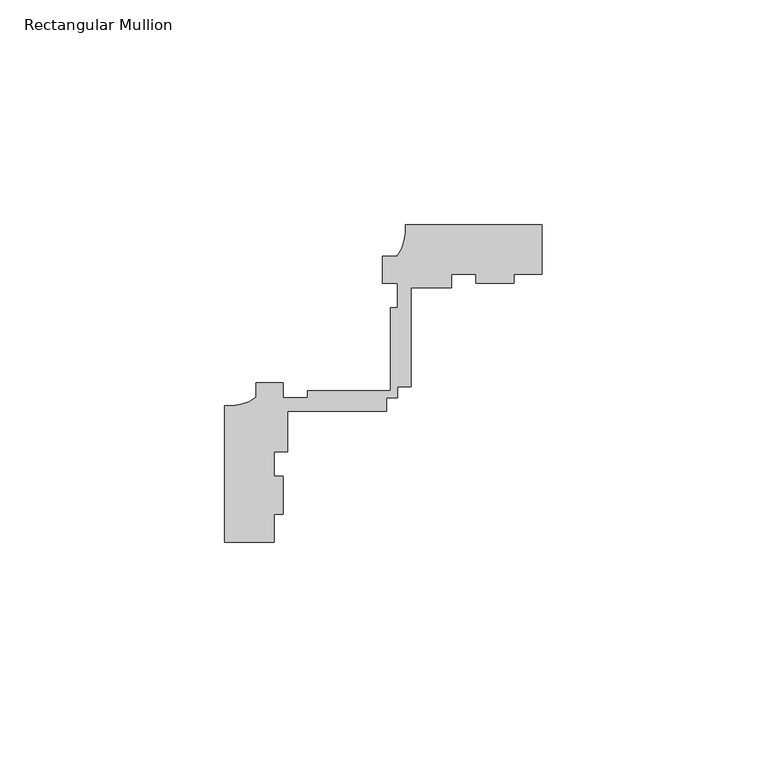
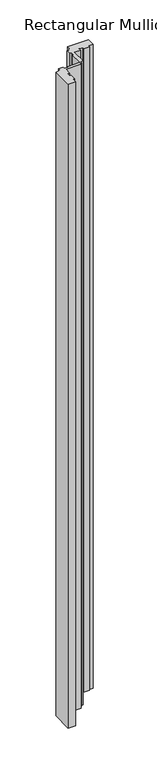
"""IFC4 building model written with IfcOpenShell, lengths in millimetres: member geometry, Rectangular Mullion."""

from ifc_helpers import new_model, si_unit, point, frame, frame_2d, origin, place, context, project, spatial, polyline, circle_curve, trimmed, segment, composite_curve, outline, extrude, source, transform, mapped, element, save


def rectangular_mullion_f8d74d92(model_context):
    return source(origin(), model_context, "Body", "SweptSolid", [
        extrude(outline(composite_curve([segment(polyline([(-59.6999694, -14.9961656), (-70.6999537, -14.9961656), (-70.6999537, 15.3835857)]), True, "CONTINUOUS"), segment(trimmed(circle_curve(frame_2d((-69.8097713, 25.8020156)), 10.4563907), [point((-70.6999537, 15.3835857))], [point((-63.6999537, 17.3163669))], True, "CARTESIAN"), True, "CONTINUOUS"), segment(polyline([(-63.6999537, 17.3163669), (-63.6999537, 20.5038344), (-57.699937, 20.5038344), (-57.699937, 17.2186203), (-52.2108408, 17.2186203), (-52.2108408, 18.8186203), (-33.8147859, 18.8186203), (-33.8147859, 37.2186203), (-32.2147859, 37.2186203), (-32.2147859, 42.703773), (-35.5, 42.703773), (-35.5, 48.7038038), (-32.3125212, 48.7038038)]), True, "CONTINUOUS"), segment(trimmed(circle_curve(frame_2d((-40.7981812, 54.8136057)), 10.4563907), [point((-32.3125212, 48.7038038))], [point((-30.3797514, 55.703788))], True, "CARTESIAN"), True, "CONTINUOUS"), segment(polyline([(-30.3797514, 55.703788), (0.0, 55.703788), (0.0, 44.7038038), (-6.2499874, 44.7038038), (-6.2499874, 42.703773), (-14.7499877, 42.703773), (-14.7499877, 44.7038038), (-20.2147859, 44.7038038), (-20.2147859, 41.6998587), (-29.2147859, 41.6998587), (-29.2147859, 19.6998587), (-32.2147859, 19.6998587), (-32.2147859, 17.2186203), (-34.6960243, 17.2186203), (-34.6960243, 14.2186203), (-56.6960243, 14.2186203), (-56.6960243, 5.2186203), (-59.6999694, 5.2186203), (-59.6999694, -0.246178), (-57.699937, -0.246178), (-57.699937, -8.7363231), (-59.6999694, -8.7363231), (-59.6999694, -14.9961656)]), True, "CONTINUOUS")], self_intersect=False)), frame((0.0, 0.0, -983.3287873), z_axis=(0.0, 0.0, 1.0), x_axis=(1.0, 0.0, 0.0)), (0.0, 0.0, 1.0), 983.3287873),
    ])


if __name__ == "__main__":
    model = new_model("IFC4")
    model_context = context("Model", 3, world=origin())
    ifc_project = project(units=[si_unit("LENGTHUNIT", "METRE", prefix="MILLI")], contexts=[model_context])
    site = spatial("IfcSite", under=ifc_project)
    building = spatial("IfcBuilding", under=site)
    placement = place(None, origin())
    rectangular_mullion_shape = rectangular_mullion_f8d74d92(model_context)
    element("IfcMember", 1, ObjectType="Rectangular Mullion", at=placement, inside=building, context=model_context, shape_type="MappedRepresentation", body=[
        mapped(rectangular_mullion_shape, transform((0.0, 0.0, 0.0), x_axis=(1.0, 0.0, 0.0), y_axis=(0.0, 1.0, 0.0), z_axis=(0.0, 0.0, 1.0))),
    ])
    save(model, "model.ifc")
